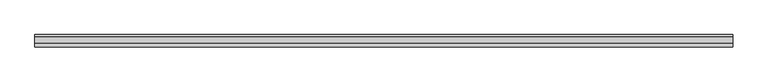
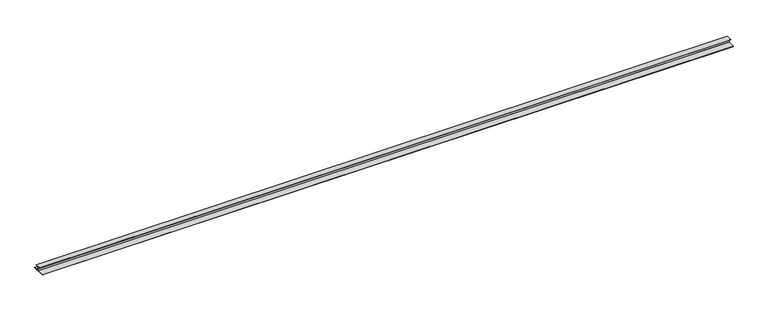
"""IFC4 building model written with IfcOpenShell, lengths in millimetres: proxy geometry."""

from ifc_helpers import new_model, si_unit, frame, origin, place, context, project, spatial, polyline, outline, extrude, source, transform, mapped, element, save


def generic_models_6f399410(model_context):
    return source(origin(), model_context, "Body", "SweptSolid", [
        extrude(outline(polyline([(-21.0, -12.0), (-0.5, -12.0), (-0.5, 0.0), (-8.5, 0.0), (-8.5, 1.0), (8.5, 1.0), (8.5, 0.0), (0.5, 0.0), (0.5, -12.0), (15.0, -12.0), (15.0, -13.0), (-21.0, -13.0), (-21.0, -12.0)])), frame((0.0, 0.0, 0.0), z_axis=(1.0, 0.0, 0.0), x_axis=(0.0, 1.0, 0.0)), (0.0, 0.0, 1.0), 2000.0),
    ])


if __name__ == "__main__":
    model = new_model("IFC4")
    model_context = context("Model", 3, world=origin())
    ifc_project = project(units=[si_unit("LENGTHUNIT", "METRE", prefix="MILLI")], contexts=[model_context])
    site = spatial("IfcSite", under=ifc_project)
    building = spatial("IfcBuilding", under=site)
    placement = place(None, origin())
    generic_models_shape = generic_models_6f399410(model_context)
    element("IfcBuildingElementProxy", 1, Name="Generic Models", at=placement, inside=building, context=model_context, shape_type="MappedRepresentation", body=[
        mapped(generic_models_shape, transform((0.0, 0.0, 0.0), x_axis=(1.0, 0.0, 0.0), y_axis=(0.0, 1.0, 0.0), z_axis=(0.0, 0.0, 1.0))),
    ])
    save(model, "model.ifc")
